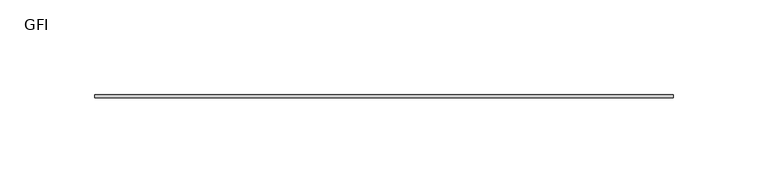
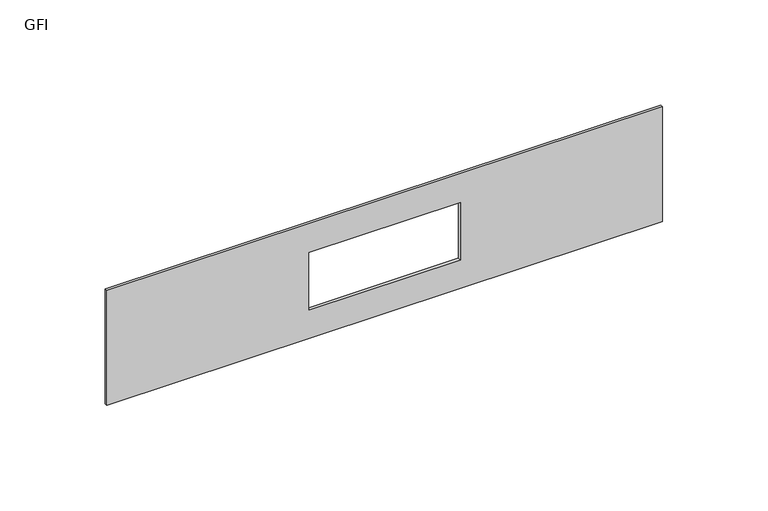
"""IFC4 building model written with IfcOpenShell, lengths in millimetres: furniture geometry, GFI."""

import ifcopenshell
import ifcopenshell.guid

model = None  # the IFC model being written
_history = None  # IfcOwnerHistory: only IFC2X3 demands one
_inside = {}  # id of a spatial element -> (the spatial element, [elements in it])
_under = {}  # id of a project, library or spatial element -> (it, [spatial elements below it])
_declared = {}  # id of a project -> (the project, [libraries it declares])
_typed = {}  # id of a type object -> (the type object, [elements of that type])
_made_of = {}  # id of a material, layer set ... -> (it, [elements and type objects made of it])


def new_model(schema):
    """Start an empty IFC model of exactly this schema.

    Asked for "IFC4X3", IfcOpenShell would pick the latest addendum, in which some entities
    have other attributes; the version numbers below select the first issue.
    IFC2X3 requires an IfcOwnerHistory on every rooted entity: one is made here for all.
    """
    global model, _history
    if schema == "IFC4X3":
        model = ifcopenshell.file(schema_version=(4, 3, 0, 0))
    else:
        model = ifcopenshell.file(schema=schema)
    _inside.clear()
    _under.clear()
    _declared.clear()
    _typed.clear()
    _made_of.clear()
    _history = None
    if model.schema == "IFC2X3":
        org = make("IfcOrganization", Name="unknown")
        user = make(
            "IfcPersonAndOrganization",
            ThePerson=make("IfcPerson", FamilyName="unknown"),
            TheOrganization=org,
        )
        app = make(
            "IfcApplication",
            ApplicationDeveloper=org,
            Version="unknown",
            ApplicationFullName="unknown",
            ApplicationIdentifier="unknown",
        )
        _history = make(
            "IfcOwnerHistory",
            OwningUser=user,
            OwningApplication=app,
            ChangeAction="ADDED",
            CreationDate=0,
        )
    return model


def make(cls, **values):
    """One entity of the class cls with the attributes given. An attribute that is None is left unset."""
    return model.create_entity(
        cls, **{name: value for name, value in values.items() if value is not None}
    )


def rooted(cls, **values):
    """An entity with a GlobalId (a new one), such as an element, a storey or a relation."""
    return make(cls, GlobalId=ifcopenshell.guid.new(), OwnerHistory=_history, **values)


def si_unit(unit_type, name, prefix=None):
    """IfcSIUnit, for example si_unit("LENGTHUNIT", "METRE", prefix="MILLI")."""
    return make("IfcSIUnit", UnitType=unit_type, Prefix=prefix, Name=name)


def assignment(units):
    """IfcUnitAssignment: the units of a project."""
    return None if units is None else make("IfcUnitAssignment", Units=units)


def point(xyz):
    """IfcCartesianPoint."""
    return None if xyz is None else make("IfcCartesianPoint", Coordinates=xyz)


def direction(xyz):
    """IfcDirection."""
    return None if xyz is None else make("IfcDirection", DirectionRatios=xyz)


def frame(location, z_axis=None, x_axis=None):
    """IfcAxis2Placement3D, a coordinate frame: its origin and axes. An axis left out is left unset."""
    return make(
        "IfcAxis2Placement3D",
        Location=point(location),
        Axis=direction(z_axis),
        RefDirection=direction(x_axis),
    )


def origin():
    """The frame at (0, 0, 0) with its axes left unset."""
    return frame((0.0, 0.0, 0.0))


def place(relative_to, where):
    """IfcLocalPlacement: puts the frame where relative to a parent placement (None: the world)."""
    return make(
        "IfcLocalPlacement", PlacementRelTo=relative_to, RelativePlacement=where
    )


def context(
    kind, dimensions, precision=None, world=None, true_north=None, identifier=None
):
    """IfcGeometricRepresentationContext, for example the 3D "Model" context."""
    return make(
        "IfcGeometricRepresentationContext",
        ContextIdentifier=identifier,
        ContextType=kind,
        CoordinateSpaceDimension=dimensions,
        Precision=precision,
        WorldCoordinateSystem=world,
        TrueNorth=true_north,
    )


def project(units=None, contexts=None):
    """IfcProject with its units and contexts."""
    return rooted(
        "IfcProject",
        Name="project",
        RepresentationContexts=contexts,
        UnitsInContext=assignment(units),
    )


def spatial(cls, under=None, at=None, **own):
    """A site, building, storey or space (cls), placed at a placement, below another one or the project."""
    s = rooted(cls, ObjectPlacement=at, **own)
    if under is not None:
        _under.setdefault(under.id(), (under, []))[1].append(s)
    return s


def polyline(points):
    """IfcPolyline through the points."""
    return make("IfcPolyline", Points=[point(p) for p in points])


def outline(outer, holes=None, kind="AREA"):
    """IfcArbitraryClosedProfileDef: a profile drawn as a closed curve; with holes, ...WithVoids."""
    if holes is None:
        return make("IfcArbitraryClosedProfileDef", ProfileType=kind, OuterCurve=outer)
    return make(
        "IfcArbitraryProfileDefWithVoids",
        ProfileType=kind,
        OuterCurve=outer,
        InnerCurves=holes,
    )


def extrude(swept, where, along, depth):
    """IfcExtrudedAreaSolid: the profile swept, set in the frame where, extruded along a direction by depth."""
    return make(
        "IfcExtrudedAreaSolid",
        SweptArea=swept,
        Position=where,
        ExtrudedDirection=direction(along),
        Depth=depth,
    )


def shape(context_of_items, identifier, shape_type, items):
    """IfcShapeRepresentation: the items that make up one representation, for example the "Body"."""
    return make(
        "IfcShapeRepresentation",
        ContextOfItems=context_of_items,
        RepresentationIdentifier=identifier,
        RepresentationType=shape_type,
        Items=items,
    )


def source(mapping_origin, context_of_items, identifier, shape_type, items):
    """IfcRepresentationMap: a shape defined once, which mapped items show again and again."""
    return make(
        "IfcRepresentationMap",
        MappingOrigin=mapping_origin,
        MappedRepresentation=shape(context_of_items, identifier, shape_type, items),
    )


def transform(
    local_origin,
    x_axis=None,
    y_axis=None,
    z_axis=None,
    scale=None,
    scale2=None,
    scale3=None,
    uniform=True,
):
    """IfcCartesianTransformationOperator3D, or its non-uniform kind. x_axis, y_axis, z_axis: its Axis1, 2, 3."""
    if uniform:
        return make(
            "IfcCartesianTransformationOperator3D",
            Axis1=direction(x_axis),
            Axis2=direction(y_axis),
            LocalOrigin=point(local_origin),
            Scale=scale,
            Axis3=direction(z_axis),
        )
    return make(
        "IfcCartesianTransformationOperator3DnonUniform",
        Axis1=direction(x_axis),
        Axis2=direction(y_axis),
        LocalOrigin=point(local_origin),
        Scale=scale,
        Axis3=direction(z_axis),
        Scale2=scale2,
        Scale3=scale3,
    )


def mapped(mapping_source, mapping_target):
    """IfcMappedItem: shows the shape of a source again, moved by a transform."""
    return make(
        "IfcMappedItem", MappingSource=mapping_source, MappingTarget=mapping_target
    )


def made_of(thing, what):
    """Note that an element or type object is made of a material, layer set ...; save() writes the relation."""
    if what is not None:
        _made_of.setdefault(what.id(), (what, []))[1].append(thing)
    return thing


def element(
    cls,
    number,
    at=None,
    inside=None,
    cuts=None,
    type_object=None,
    material=None,
    context=None,
    identifier="Body",
    shape_type=None,
    held_by="IfcProductDefinitionShape",
    body=None,
    shapes=None,
    **own,
):
    """One element of the class cls, such as IfcWall. Its Tag is "e" and its number.

    at: its placement. inside: the storey or other place that contains it. cuts: it is an
    opening in that element (IfcRelVoidsElement). A single representation is given by context,
    identifier, shape_type and body (its items); several are given by shapes. held_by: the class
    of the entity that holds the representations. save() writes the other relations.
    """
    e = rooted(cls, Tag="e%d" % number, ObjectPlacement=at, **own)
    if body is not None:
        shapes = [shape(context, identifier, shape_type, body)]
    if shapes is not None:
        e.Representation = make(held_by, Representations=shapes)
    if inside is not None:
        _inside.setdefault(inside.id(), (inside, []))[1].append(e)
    if cuts is not None:
        rooted(
            "IfcRelVoidsElement", RelatingBuildingElement=cuts, RelatedOpeningElement=e
        )
    if type_object is not None:
        _typed.setdefault(type_object.id(), (type_object, []))[1].append(e)
    return made_of(e, material)


def aggregate(whole, parts):
    """IfcRelAggregates: a whole, such as a stair, and the parts it consists of."""
    return rooted("IfcRelAggregates", RelatingObject=whole, RelatedObjects=parts)


def save(model, path):
    """Write the relations noted so far, then the file.

    IfcRelAggregates (storeys below a building ...), IfcRelContainedInSpatialStructure (elements
    in a storey), IfcRelDefinesByType, IfcRelAssociatesMaterial and IfcRelDeclares: one each for
    every whole, place, type object, material and project.
    """
    for whole, parts in _under.values():
        aggregate(whole, parts)
    for where, things in _inside.values():
        rooted(
            "IfcRelContainedInSpatialStructure",
            RelatedElements=things,
            RelatingStructure=where,
        )
    for kind, things in _typed.values():
        rooted("IfcRelDefinesByType", RelatedObjects=things, RelatingType=kind)
    for what, things in _made_of.values():
        rooted("IfcRelAssociatesMaterial", RelatedObjects=things, RelatingMaterial=what)
    for by, libraries in _declared.values():
        rooted("IfcRelDeclares", RelatingContext=by, RelatedDefinitions=libraries)
    model.write(path)


def gfi_76f860c5(model_context):
    return source(origin(), model_context, "Body", "SweptSolid", [
        extrude(outline(polyline([(1060.45, 171.1377049), (1060.45, -133.6622951), (993.775, -133.6622951), (993.775, 171.1377049), (1060.45, 171.1377049)]), holes=[polyline([(1043.7876, 60.3048049), (1010.4374, 60.3048049), (1010.4374, -22.8293951), (1043.7876, -22.8293951), (1043.7876, 60.3048049)])]), frame((0.0, -1.5875, 0.0), z_axis=(0.0, 1.0, 0.0), x_axis=(0.0, 0.0, 1.0)), (0.0, 0.0, 1.0), 1.5875),
    ])


if __name__ == "__main__":
    model = new_model("IFC4")
    model_context = context("Model", 3, world=origin())
    ifc_project = project(units=[si_unit("LENGTHUNIT", "METRE", prefix="MILLI")], contexts=[model_context])
    site = spatial("IfcSite", under=ifc_project)
    building = spatial("IfcBuilding", under=site)
    placement = place(None, origin())
    gfi_shape = gfi_76f860c5(model_context)
    element("IfcFurniture", 1, ObjectType="GFI", at=placement, inside=building, context=model_context, shape_type="MappedRepresentation", body=[
        mapped(gfi_shape, transform((0.0, 0.0, 0.0), x_axis=(1.0, 0.0, 0.0), y_axis=(0.0, 1.0, 0.0), z_axis=(0.0, 0.0, 1.0))),
    ])
    save(model, "model.ifc")
